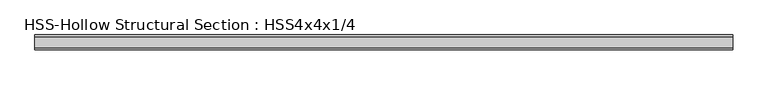
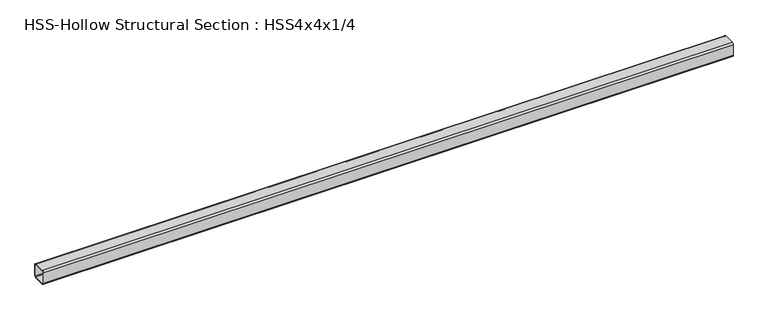
"""IFC4 building model written with IfcOpenShell, lengths in millimetres: member geometry, HSS-Hollow Structural Section : HSS4x4x1/4."""

from ifc_helpers import new_model, si_unit, point, frame, frame_2d, origin, place, context, project, spatial, polyline, circle_curve, trimmed, segment, composite_curve, outline, extrude, source, transform, mapped, element, save


def hss_hollow_structural_section_hss4x4x1_4_b7e68de8(model_context):
    return source(origin(), model_context, "Body", "SweptSolid", [
        extrude(outline(composite_curve([segment(polyline([(50.8, 38.9636), (50.8, -38.9636)]), True, "CONTINUOUS"), segment(trimmed(circle_curve(frame_2d((38.9636, -38.9636)), 11.8364), [point((50.8, -38.9636))], [point((38.9636, -50.8))], False, "CARTESIAN"), True, "CONTINUOUS"), segment(polyline([(38.9636, -50.8), (-38.9636, -50.8)]), True, "CONTINUOUS"), segment(trimmed(circle_curve(frame_2d((-38.9636, -38.9636)), 11.8364), [point((-38.9636, -50.8))], [point((-50.8, -38.9636))], False, "CARTESIAN"), True, "CONTINUOUS"), segment(polyline([(-50.8, -38.9636), (-50.8, 38.9636)]), True, "CONTINUOUS"), segment(trimmed(circle_curve(frame_2d((-38.9636, 38.9636)), 11.8364), [point((-50.8, 38.9636))], [point((-38.9636, 50.8))], False, "CARTESIAN"), True, "CONTINUOUS"), segment(polyline([(-38.9636, 50.8), (38.9636, 50.8)]), True, "CONTINUOUS"), segment(trimmed(circle_curve(frame_2d((38.9636, 38.9636)), 11.8364), [point((38.9636, 50.8))], [point((50.8, 38.9636))], False, "CARTESIAN"), True, "CONTINUOUS")], self_intersect=False), holes=[composite_curve([segment(trimmed(circle_curve(frame_2d((-38.9636, 38.9636)), 5.9182), [point((-38.9636, 44.8818))], [point((-44.8818, 38.9636))], True, "CARTESIAN"), True, "CONTINUOUS"), segment(polyline([(-44.8818, 38.9636), (-44.8818, -38.9636)]), True, "CONTINUOUS"), segment(trimmed(circle_curve(frame_2d((-38.9636, -38.9636)), 5.9182), [point((-44.8818, -38.9636))], [point((-38.9636, -44.8818))], True, "CARTESIAN"), True, "CONTINUOUS"), segment(polyline([(-38.9636, -44.8818), (38.9636, -44.8818)]), True, "CONTINUOUS"), segment(trimmed(circle_curve(frame_2d((38.9636, -38.9636)), 5.9182), [point((38.9636, -44.8818))], [point((44.8818, -38.9636))], True, "CARTESIAN"), True, "CONTINUOUS"), segment(polyline([(44.8818, -38.9636), (44.8818, 38.9636)]), True, "CONTINUOUS"), segment(trimmed(circle_curve(frame_2d((38.9636, 38.9636)), 5.9182), [point((44.8818, 38.9636))], [point((38.9636, 44.8818))], True, "CARTESIAN"), True, "CONTINUOUS"), segment(polyline([(38.9636, 44.8818), (-38.9636, 44.8818)]), True, "CONTINUOUS")], self_intersect=False)]), frame((-2519.9314315, 0.0, 0.0), z_axis=(1.0, 0.0, 0.0), x_axis=(0.0, 1.0, 0.0)), (0.0, 0.0, 1.0), 4803.1869225),
    ])


if __name__ == "__main__":
    model = new_model("IFC4")
    model_context = context("Model", 3, world=origin())
    ifc_project = project(units=[si_unit("LENGTHUNIT", "METRE", prefix="MILLI")], contexts=[model_context])
    site = spatial("IfcSite", under=ifc_project)
    building = spatial("IfcBuilding", under=site)
    placement = place(None, origin())
    hss_hollow_structural_section_hss4x4x1_4_shape = hss_hollow_structural_section_hss4x4x1_4_b7e68de8(model_context)
    element("IfcMember", 1, ObjectType="HSS-Hollow Structural Section : HSS4x4x1/4", at=placement, inside=building, context=model_context, shape_type="MappedRepresentation", body=[
        mapped(hss_hollow_structural_section_hss4x4x1_4_shape, transform((0.0, 0.0, 0.0), x_axis=(1.0, 0.0, 0.0), y_axis=(0.0, 1.0, 0.0), z_axis=(0.0, 0.0, 1.0))),
    ])
    save(model, "model.ifc")
